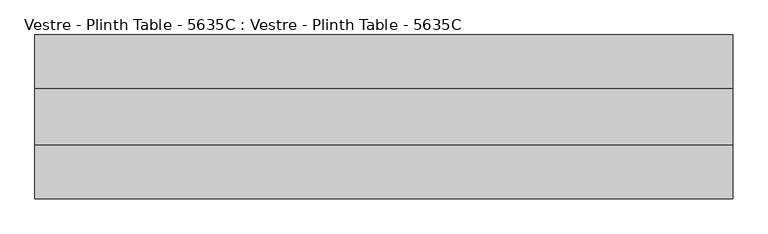
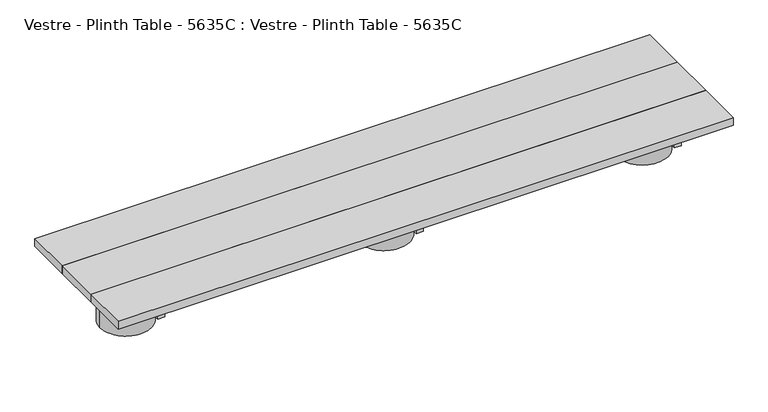
"""IFC4 building model written with IfcOpenShell, lengths in millimetres: furniture geometry, Vestre - Plinth Table - 5635C : Vestre - Plinth Table - 5635C."""

from ifc_helpers import new_model, si_unit, frame, origin, place, context, project, spatial, polyline, circle_curve, outline, extrude, source, transform, mapped, element, save
from ifc_brep_helpers import plane_surface, cylinder_surface, advanced_brep


def vestre_plinth_table_5635c_vestre_plinth_table_5635c_720b5ecf(model_context):
    return source(origin(), model_context, "Body", "SolidModel", [
        advanced_brep(
        [(108.1777507, -202.4998463, 74.9999847), (-108.1777507, -202.4998463, 74.9999847), (-109.5841279, -219.9999989, 74.9999847), (-108.1777507, -237.5001515, 74.9999847), (108.1777507, -237.5001515, 74.9999847), (109.5841279, -219.9999989, 74.9999847), (108.1777507, -202.4998463, 164.9999847), (-108.1777507, -202.4998463, 164.9999847), (-108.1777507, -237.5001515, 164.9999847), (108.1777507, -237.5001515, 164.9999847), (109.5841279, -219.9999989, 0.0), (-109.5841279, -219.9999989, 0.0)],
        [
            (0, 1),
            (1, 2, circle_curve(frame((0.0, -219.9999989, 74.9999847), z_axis=(0.0, 0.0, 1.0), x_axis=(-1.0, 0.0, 0.0)), 109.5841279)),
            (2, 3, circle_curve(frame((0.0, -219.9999989, 74.9999847), z_axis=(0.0, 0.0, 1.0), x_axis=(-1.0, 0.0, 0.0)), 109.5841279)),
            (3, 4),
            (4, 5, circle_curve(frame((0.0, -219.9999989, 74.9999847), z_axis=(0.0, 0.0, 1.0), x_axis=(-1.0, 0.0, 0.0)), 109.5841279)),
            (5, 0, circle_curve(frame((0.0, -219.9999989, 74.9999847), z_axis=(0.0, 0.0, 1.0), x_axis=(-1.0, 0.0, 0.0)), 109.5841279)),
            (0, 6),
            (6, 7),
            (7, 1),
            (3, 8),
            (8, 9),
            (9, 4),
            (6, 7, circle_curve(frame((0.0, -219.9999989, 164.9999847), z_axis=(0.0, 0.0, 1.0), x_axis=(-1.0, 0.0, 0.0)), 109.5841279)),
            (8, 9, circle_curve(frame((0.0, -219.9999989, 164.9999847), z_axis=(0.0, 0.0, 1.0), x_axis=(-1.0, 0.0, 0.0)), 109.5841279)),
            (10, 11, circle_curve(frame((0.0, -219.9999989, 0.0), z_axis=(0.0, 0.0, -1.0), x_axis=(-1.0, 0.0, 0.0)), 109.5841279)),
            (11, 10, circle_curve(frame((0.0, -219.9999989, 0.0), z_axis=(0.0, 0.0, -1.0), x_axis=(-1.0, 0.0, 0.0)), 109.5841279)),
            (10, 5),
            (2, 11),
        ],
        [
            plane_surface(frame((-130.5005464, -202.4998463, 74.9999847), z_axis=(0.0, 0.0, 1.0), x_axis=(1.0, 0.0, 0.0))),
            plane_surface(frame((-130.5005464, -202.4998463, 164.9999847), z_axis=(0.0, -1.0, 0.0), x_axis=(1.0, 0.0, 0.0))),
            plane_surface(frame((-130.5005464, -237.5001515, 74.9999847), z_axis=(0.0, 1.0, 0.0), x_axis=(1.0, 0.0, 0.0))),
            plane_surface(frame((-109.5841279, -219.9999989, 164.9999847), z_axis=(0.0, 0.0, 1.0), x_axis=(0.0, -1.0, 0.0))),
            plane_surface(frame((-109.5841279, -219.9999989, 0.0), z_axis=(0.0, 0.0, -1.0), x_axis=(0.0, 1.0, 0.0))),
            cylinder_surface(frame((0.0, -219.9999989, 0.0), z_axis=(0.0, 0.0, 1.0), x_axis=(-1.0, 0.0, 0.0)), 109.5841279),
        ],
        [
            (0, [[1, 2, 3, 4, 5, 6]]),
            (1, [[-1, 7, 8, 9]]),
            (2, [[-4, 10, 11, 12]]),
            (3, [[13, -8]]),
            (3, [[14, -11]]),
            (4, [[15, 16]]),
            (5, [[-15, 17, -5, -12, -14, -10, -3, 18]]),
            (5, [[-16, -18, -2, -9, -13, -7, -6, -17]]),
        ],
    ),
        extrude(outline(polyline([(1116.0, -483.0002308), (1085.9816865, -483.0002308), (1085.9816865, 43.000233), (1116.0, 43.000233), (1116.0, -483.0002308)])), frame((0.0, 0.0, 164.9999847), z_axis=(0.0, 0.0, 1.0), x_axis=(1.0, 0.0, 0.0)), (0.0, 0.0, 1.0), 50.0),
        advanced_brep(
        [(1210.5835815, -219.9999989, 164.9999847), (992.8217029, -202.4998463, 164.9999847), (1089.0010928, -202.4998463, 164.9999847), (1089.0010928, -237.5001515, 164.9999847), (992.8217029, -237.5001515, 164.9999847), (1210.5835815, -219.9999989, 0.0), (991.4153257, -219.9999989, 0.0), (992.8217029, -237.5001515, 74.9999847), (991.4153257, -219.9999989, 74.9999847), (992.8217029, -202.4998463, 74.9999847), (1089.0010928, -237.5001515, 74.9999847), (1089.0010928, -202.4998463, 74.9999847)],
        [
            (0, 1, circle_curve(frame((1100.9994536, -219.9999989, 164.9999847), z_axis=(0.0, 0.0, 1.0), x_axis=(-1.0, 0.0, 0.0)), 109.5841279)),
            (1, 2),
            (2, 3),
            (3, 4),
            (4, 0, circle_curve(frame((1100.9994536, -219.9999989, 164.9999847), z_axis=(0.0, 0.0, 1.0), x_axis=(-1.0, 0.0, 0.0)), 109.5841279)),
            (5, 6, circle_curve(frame((1100.9994536, -219.9999989, 0.0), z_axis=(0.0, 0.0, -1.0), x_axis=(-1.0, 0.0, 0.0)), 109.5841279)),
            (6, 5, circle_curve(frame((1100.9994536, -219.9999989, 0.0), z_axis=(0.0, 0.0, -1.0), x_axis=(-1.0, 0.0, 0.0)), 109.5841279)),
            (5, 0),
            (4, 7),
            (7, 8, circle_curve(frame((1100.9994536, -219.9999989, 74.9999847), z_axis=(0.0, 0.0, -1.0), x_axis=(-1.0, 0.0, 0.0)), 109.5841279)),
            (8, 6),
            (8, 9, circle_curve(frame((1100.9994536, -219.9999989, 74.9999847), z_axis=(0.0, 0.0, -1.0), x_axis=(-1.0, 0.0, 0.0)), 109.5841279)),
            (9, 1),
            (10, 3),
            (2, 11),
            (11, 10),
            (11, 9),
            (7, 10),
        ],
        [
            plane_surface(frame((991.4153257, -219.9999989, 164.9999847), z_axis=(0.0, 0.0, 1.0), x_axis=(0.0, -1.0, 0.0))),
            plane_surface(frame((991.4153257, -219.9999989, 0.0), z_axis=(0.0, 0.0, -1.0), x_axis=(0.0, 1.0, 0.0))),
            cylinder_surface(frame((1100.9994536, -219.9999989, 0.0), z_axis=(0.0, 0.0, 1.0), x_axis=(-1.0, 0.0, 0.0)), 109.5841279),
            plane_surface(frame((1089.0010928, -237.5001515, 74.9999847), z_axis=(-1.0, 0.0, 0.0), x_axis=(0.0, 0.0, -1.0))),
            plane_surface(frame((970.5005464, -202.4998463, 74.9999847), z_axis=(0.0, 0.0, 1.0), x_axis=(1.0, 0.0, 0.0))),
            plane_surface(frame((970.5005464, -202.4998463, 164.9999847), z_axis=(0.0, -1.0, 0.0), x_axis=(1.0, 0.0, 0.0))),
            plane_surface(frame((970.5005464, -237.5001515, 74.9999847), z_axis=(0.0, 1.0, 0.0), x_axis=(1.0, 0.0, 0.0))),
        ],
        [
            (0, [[1, 2, 3, 4, 5]]),
            (1, [[6, 7]]),
            (2, [[-6, 8, -5, 9, 10, 11]]),
            (2, [[-7, -11, 12, 13, -1, -8]]),
            (3, [[14, -3, 15, 16]]),
            (4, [[-16, 17, -12, -10, 18]]),
            (5, [[-15, -2, -13, -17]]),
            (6, [[-14, -18, -9, -4]]),
        ],
    ),
        extrude(outline(polyline([(15.0005464, -483.0002308), (-15.0177671, -483.0002308), (-15.0177671, 43.000233), (15.0005464, 43.000233), (15.0005464, -483.0002308)])), frame((0.0, 0.0, 164.9999847), z_axis=(0.0, 0.0, 1.0), x_axis=(1.0, 0.0, 0.0)), (0.0, 0.0, 1.0), 50.0),
        extrude(outline(polyline([(-1085.9816865, -483.0002308), (-1116.0, -483.0002308), (-1116.0, 43.000233), (-1085.9816865, 43.000233), (-1085.9816865, -483.0002308)])), frame((0.0, 0.0, 164.9999847), z_axis=(0.0, 0.0, 1.0), x_axis=(1.0, 0.0, 0.0)), (0.0, 0.0, 1.0), 50.0),
        advanced_brep(
        [(-1210.5835815, -219.9999989, 164.9999847), (-992.8217029, -237.5001515, 164.9999847), (-1089.0010928, -237.5001515, 164.9999847), (-1089.0010928, -202.4998463, 164.9999847), (-992.8217029, -202.4998463, 164.9999847), (-1210.5835815, -219.9999989, 0.0), (-991.4153257, -219.9999989, 0.0), (-991.4153257, -219.9999989, 74.9999847), (-992.8217029, -237.5001515, 74.9999847), (-992.8217029, -202.4998463, 74.9999847), (-1089.0010928, -237.5001515, 74.9999847), (-1089.0010928, -202.4998463, 74.9999847)],
        [
            (0, 1, circle_curve(frame((-1100.9994536, -219.9999989, 164.9999847), z_axis=(0.0, 0.0, 1.0), x_axis=(1.0, 0.0, 0.0)), 109.5841279)),
            (1, 2),
            (2, 3),
            (3, 4),
            (4, 0, circle_curve(frame((-1100.9994536, -219.9999989, 164.9999847), z_axis=(0.0, 0.0, 1.0), x_axis=(1.0, 0.0, 0.0)), 109.5841279)),
            (5, 6, circle_curve(frame((-1100.9994536, -219.9999989, 0.0), z_axis=(0.0, 0.0, -1.0), x_axis=(1.0, 0.0, 0.0)), 109.5841279)),
            (6, 5, circle_curve(frame((-1100.9994536, -219.9999989, 0.0), z_axis=(0.0, 0.0, -1.0), x_axis=(1.0, 0.0, 0.0)), 109.5841279)),
            (6, 7),
            (7, 8, circle_curve(frame((-1100.9994536, -219.9999989, 74.9999847), z_axis=(0.0, 0.0, -1.0), x_axis=(1.0, 0.0, 0.0)), 109.5841279)),
            (8, 1),
            (0, 5),
            (4, 9),
            (9, 7, circle_curve(frame((-1100.9994536, -219.9999989, 74.9999847), z_axis=(0.0, 0.0, -1.0), x_axis=(1.0, 0.0, 0.0)), 109.5841279)),
            (10, 11),
            (11, 3),
            (2, 10),
            (10, 8),
            (9, 11),
        ],
        [
            plane_surface(frame((-991.4153257, -219.9999989, 164.9999847), z_axis=(0.0, 0.0, 1.0), x_axis=(0.0, 1.0, 0.0))),
            plane_surface(frame((-991.4153257, -219.9999989, 0.0), z_axis=(0.0, 0.0, -1.0), x_axis=(0.0, -1.0, 0.0))),
            cylinder_surface(frame((-1100.9994536, -219.9999989, 0.0), z_axis=(0.0, 0.0, 1.0), x_axis=(1.0, 0.0, 0.0)), 109.5841279),
            plane_surface(frame((-1089.0010928, -202.4998463, 74.9999847), z_axis=(1.0, 0.0, 0.0), x_axis=(0.0, -1.0, 0.0))),
            plane_surface(frame((-970.5005464, -237.5001515, 74.9999847), z_axis=(0.0, 0.0, 1.0), x_axis=(-1.0, 0.0, 0.0))),
            plane_surface(frame((-970.5005464, -202.4998463, 74.9999847), z_axis=(0.0, -1.0, 0.0), x_axis=(-1.0, 0.0, 0.0))),
            plane_surface(frame((-970.5005464, -237.5001515, 164.9999847), z_axis=(0.0, 1.0, 0.0), x_axis=(-1.0, 0.0, 0.0))),
        ],
        [
            (0, [[1, 2, 3, 4, 5]]),
            (1, [[6, 7]]),
            (2, [[-7, 8, 9, 10, -1, 11]]),
            (2, [[-6, -11, -5, 12, 13, -8]]),
            (3, [[14, 15, -3, 16]]),
            (4, [[-14, 17, -9, -13, 18]]),
            (5, [[-15, -18, -12, -4]]),
            (6, [[-16, -2, -10, -17]]),
        ],
    ),
        extrude(outline(polyline([(1310.5001055, -114.9999989), (1310.5001055, -324.9999989), (-1310.5001055, -324.9999989), (-1310.5001055, -114.9999989), (1310.5001055, -114.9999989)])), frame((0.0, 0.0, 214.9999847), z_axis=(0.0, 0.0, 1.0), x_axis=(1.0, 0.0, 0.0)), (0.0, 0.0, 1.0), 35.0000153),
        extrude(outline(polyline([(1089.0001055, -202.4998463), (1089.0001055, -237.5001515), (-1089.0001055, -237.5001515), (-1089.0001055, -202.4998463), (1089.0001055, -202.4998463)])), frame((0.0, 0.0, 74.9999847), z_axis=(0.0, 0.0, 1.0), x_axis=(1.0, 0.0, 0.0)), (0.0, 0.0, 1.0), 90.0),
        extrude(outline(polyline([(1310.5001055, 87.500233), (1310.5001055, -114.9999989), (-1310.5001055, -114.9999989), (-1310.5001055, 87.500233), (1310.5001055, 87.500233)])), frame((0.0, 0.0, 214.9999847), z_axis=(0.0, 0.0, 1.0), x_axis=(1.0, 0.0, 0.0)), (0.0, 0.0, 1.0), 35.0000153),
        extrude(outline(polyline([(1310.5001055, -324.9999989), (1310.5001055, -527.5002308), (-1310.5001055, -527.5002308), (-1310.5001055, -324.9999989), (1310.5001055, -324.9999989)])), frame((0.0, 0.0, 214.9999847), z_axis=(0.0, 0.0, 1.0), x_axis=(1.0, 0.0, 0.0)), (0.0, 0.0, 1.0), 35.0000153),
    ])


if __name__ == "__main__":
    model = new_model("IFC4")
    model_context = context("Model", 3, world=origin())
    ifc_project = project(units=[si_unit("LENGTHUNIT", "METRE", prefix="MILLI")], contexts=[model_context])
    site = spatial("IfcSite", under=ifc_project)
    building = spatial("IfcBuilding", under=site)
    placement = place(None, origin())
    vestre_plinth_table_5635c_vestre_plinth_table_5635c_shape = vestre_plinth_table_5635c_vestre_plinth_table_5635c_720b5ecf(model_context)
    element("IfcFurniture", 1, ObjectType="Vestre - Plinth Table - 5635C : Vestre - Plinth Table - 5635C", at=placement, inside=building, context=model_context, shape_type="MappedRepresentation", body=[
        mapped(vestre_plinth_table_5635c_vestre_plinth_table_5635c_shape, transform((0.0, 0.0, 0.0), x_axis=(1.0, 0.0, 0.0), y_axis=(0.0, 1.0, 0.0), z_axis=(0.0, 0.0, 1.0))),
    ])
    save(model, "model.ifc")
